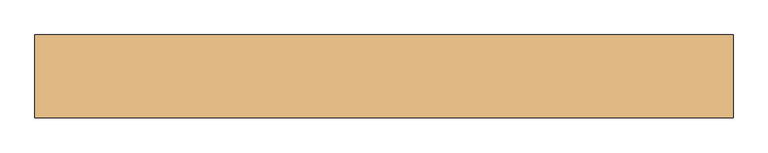
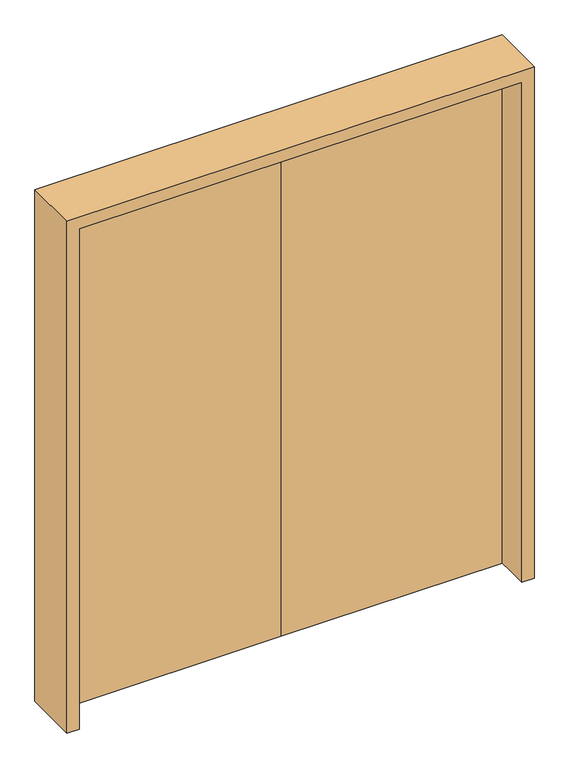
"""IFC4 building model written with IfcOpenShell, lengths in millimetres: door geometry."""

import ifcopenshell
import ifcopenshell.guid

model = None  # the IFC model being written
_history = None  # IfcOwnerHistory: only IFC2X3 demands one
_inside = {}  # id of a spatial element -> (the spatial element, [elements in it])
_under = {}  # id of a project, library or spatial element -> (it, [spatial elements below it])
_declared = {}  # id of a project -> (the project, [libraries it declares])
_typed = {}  # id of a type object -> (the type object, [elements of that type])
_made_of = {}  # id of a material, layer set ... -> (it, [elements and type objects made of it])


def new_model(schema):
    """Start an empty IFC model of exactly this schema.

    Asked for "IFC4X3", IfcOpenShell would pick the latest addendum, in which some entities
    have other attributes; the version numbers below select the first issue.
    IFC2X3 requires an IfcOwnerHistory on every rooted entity: one is made here for all.
    """
    global model, _history
    if schema == "IFC4X3":
        model = ifcopenshell.file(schema_version=(4, 3, 0, 0))
    else:
        model = ifcopenshell.file(schema=schema)
    _inside.clear()
    _under.clear()
    _declared.clear()
    _typed.clear()
    _made_of.clear()
    _history = None
    if model.schema == "IFC2X3":
        org = make("IfcOrganization", Name="unknown")
        user = make(
            "IfcPersonAndOrganization",
            ThePerson=make("IfcPerson", FamilyName="unknown"),
            TheOrganization=org,
        )
        app = make(
            "IfcApplication",
            ApplicationDeveloper=org,
            Version="unknown",
            ApplicationFullName="unknown",
            ApplicationIdentifier="unknown",
        )
        _history = make(
            "IfcOwnerHistory",
            OwningUser=user,
            OwningApplication=app,
            ChangeAction="ADDED",
            CreationDate=0,
        )
    return model


def make(cls, **values):
    """One entity of the class cls with the attributes given. An attribute that is None is left unset."""
    return model.create_entity(
        cls, **{name: value for name, value in values.items() if value is not None}
    )


def rooted(cls, **values):
    """An entity with a GlobalId (a new one), such as an element, a storey or a relation."""
    return make(cls, GlobalId=ifcopenshell.guid.new(), OwnerHistory=_history, **values)


def si_unit(unit_type, name, prefix=None):
    """IfcSIUnit, for example si_unit("LENGTHUNIT", "METRE", prefix="MILLI")."""
    return make("IfcSIUnit", UnitType=unit_type, Prefix=prefix, Name=name)


def assignment(units):
    """IfcUnitAssignment: the units of a project."""
    return None if units is None else make("IfcUnitAssignment", Units=units)


def point(xyz):
    """IfcCartesianPoint."""
    return None if xyz is None else make("IfcCartesianPoint", Coordinates=xyz)


def direction(xyz):
    """IfcDirection."""
    return None if xyz is None else make("IfcDirection", DirectionRatios=xyz)


def frame(location, z_axis=None, x_axis=None):
    """IfcAxis2Placement3D, a coordinate frame: its origin and axes. An axis left out is left unset."""
    return make(
        "IfcAxis2Placement3D",
        Location=point(location),
        Axis=direction(z_axis),
        RefDirection=direction(x_axis),
    )


def origin():
    """The frame at (0, 0, 0) with its axes left unset."""
    return frame((0.0, 0.0, 0.0))


def origin_with_axes():
    """The frame at (0, 0, 0) with the z axis (0, 0, 1) and the x axis (1, 0, 0) written out."""
    return frame((0.0, 0.0, 0.0), z_axis=(0.0, 0.0, 1.0), x_axis=(1.0, 0.0, 0.0))


def place(relative_to, where):
    """IfcLocalPlacement: puts the frame where relative to a parent placement (None: the world)."""
    return make(
        "IfcLocalPlacement", PlacementRelTo=relative_to, RelativePlacement=where
    )


def context(
    kind, dimensions, precision=None, world=None, true_north=None, identifier=None
):
    """IfcGeometricRepresentationContext, for example the 3D "Model" context."""
    return make(
        "IfcGeometricRepresentationContext",
        ContextIdentifier=identifier,
        ContextType=kind,
        CoordinateSpaceDimension=dimensions,
        Precision=precision,
        WorldCoordinateSystem=world,
        TrueNorth=true_north,
    )


def project(units=None, contexts=None):
    """IfcProject with its units and contexts."""
    return rooted(
        "IfcProject",
        Name="project",
        RepresentationContexts=contexts,
        UnitsInContext=assignment(units),
    )


def spatial(cls, under=None, at=None, **own):
    """A site, building, storey or space (cls), placed at a placement, below another one or the project."""
    s = rooted(cls, ObjectPlacement=at, **own)
    if under is not None:
        _under.setdefault(under.id(), (under, []))[1].append(s)
    return s


def polyline(points):
    """IfcPolyline through the points."""
    return make("IfcPolyline", Points=[point(p) for p in points])


def outline(outer, holes=None, kind="AREA"):
    """IfcArbitraryClosedProfileDef: a profile drawn as a closed curve; with holes, ...WithVoids."""
    if holes is None:
        return make("IfcArbitraryClosedProfileDef", ProfileType=kind, OuterCurve=outer)
    return make(
        "IfcArbitraryProfileDefWithVoids",
        ProfileType=kind,
        OuterCurve=outer,
        InnerCurves=holes,
    )


def extrude(swept, where, along, depth):
    """IfcExtrudedAreaSolid: the profile swept, set in the frame where, extruded along a direction by depth."""
    return make(
        "IfcExtrudedAreaSolid",
        SweptArea=swept,
        Position=where,
        ExtrudedDirection=direction(along),
        Depth=depth,
    )


def shape(context_of_items, identifier, shape_type, items):
    """IfcShapeRepresentation: the items that make up one representation, for example the "Body"."""
    return make(
        "IfcShapeRepresentation",
        ContextOfItems=context_of_items,
        RepresentationIdentifier=identifier,
        RepresentationType=shape_type,
        Items=items,
    )


def source(mapping_origin, context_of_items, identifier, shape_type, items):
    """IfcRepresentationMap: a shape defined once, which mapped items show again and again."""
    return make(
        "IfcRepresentationMap",
        MappingOrigin=mapping_origin,
        MappedRepresentation=shape(context_of_items, identifier, shape_type, items),
    )


def transform(
    local_origin,
    x_axis=None,
    y_axis=None,
    z_axis=None,
    scale=None,
    scale2=None,
    scale3=None,
    uniform=True,
):
    """IfcCartesianTransformationOperator3D, or its non-uniform kind. x_axis, y_axis, z_axis: its Axis1, 2, 3."""
    if uniform:
        return make(
            "IfcCartesianTransformationOperator3D",
            Axis1=direction(x_axis),
            Axis2=direction(y_axis),
            LocalOrigin=point(local_origin),
            Scale=scale,
            Axis3=direction(z_axis),
        )
    return make(
        "IfcCartesianTransformationOperator3DnonUniform",
        Axis1=direction(x_axis),
        Axis2=direction(y_axis),
        LocalOrigin=point(local_origin),
        Scale=scale,
        Axis3=direction(z_axis),
        Scale2=scale2,
        Scale3=scale3,
    )


def mapped(mapping_source, mapping_target):
    """IfcMappedItem: shows the shape of a source again, moved by a transform."""
    return make(
        "IfcMappedItem", MappingSource=mapping_source, MappingTarget=mapping_target
    )


def made_of(thing, what):
    """Note that an element or type object is made of a material, layer set ...; save() writes the relation."""
    if what is not None:
        _made_of.setdefault(what.id(), (what, []))[1].append(thing)
    return thing


def element(
    cls,
    number,
    at=None,
    inside=None,
    cuts=None,
    type_object=None,
    material=None,
    context=None,
    identifier="Body",
    shape_type=None,
    held_by="IfcProductDefinitionShape",
    body=None,
    shapes=None,
    **own,
):
    """One element of the class cls, such as IfcWall. Its Tag is "e" and its number.

    at: its placement. inside: the storey or other place that contains it. cuts: it is an
    opening in that element (IfcRelVoidsElement). A single representation is given by context,
    identifier, shape_type and body (its items); several are given by shapes. held_by: the class
    of the entity that holds the representations. save() writes the other relations.
    """
    e = rooted(cls, Tag="e%d" % number, ObjectPlacement=at, **own)
    if body is not None:
        shapes = [shape(context, identifier, shape_type, body)]
    if shapes is not None:
        e.Representation = make(held_by, Representations=shapes)
    if inside is not None:
        _inside.setdefault(inside.id(), (inside, []))[1].append(e)
    if cuts is not None:
        rooted(
            "IfcRelVoidsElement", RelatingBuildingElement=cuts, RelatedOpeningElement=e
        )
    if type_object is not None:
        _typed.setdefault(type_object.id(), (type_object, []))[1].append(e)
    return made_of(e, material)


def aggregate(whole, parts):
    """IfcRelAggregates: a whole, such as a stair, and the parts it consists of."""
    return rooted("IfcRelAggregates", RelatingObject=whole, RelatedObjects=parts)


def save(model, path):
    """Write the relations noted so far, then the file.

    IfcRelAggregates (storeys below a building ...), IfcRelContainedInSpatialStructure (elements
    in a storey), IfcRelDefinesByType, IfcRelAssociatesMaterial and IfcRelDeclares: one each for
    every whole, place, type object, material and project.
    """
    for whole, parts in _under.values():
        aggregate(whole, parts)
    for where, things in _inside.values():
        rooted(
            "IfcRelContainedInSpatialStructure",
            RelatedElements=things,
            RelatingStructure=where,
        )
    for kind, things in _typed.values():
        rooted("IfcRelDefinesByType", RelatedObjects=things, RelatingType=kind)
    for what, things in _made_of.values():
        rooted("IfcRelAssociatesMaterial", RelatedObjects=things, RelatingMaterial=what)
    for by, libraries in _declared.values():
        rooted("IfcRelDeclares", RelatingContext=by, RelatedDefinitions=libraries)
    model.write(path)


def door_6e29c84d(model_context):
    return source(origin(), model_context, "Body", "SweptSolid", [
        extrude(outline(polyline([(2235.2, -914.4), (0.0, -914.4), (0.0, -863.6), (2184.4, -863.6), (2184.4, 965.2), (0.0, 965.2), (0.0, 1016.0), (2235.2, 1016.0), (2235.2, -914.4)])), frame((0.0, -120.9075878, 0.0), z_axis=(0.0, 1.0, 0.0), x_axis=(0.0, 0.0, 1.0)), (0.0, 0.0, 1.0), 228.6),
        extrude(outline(polyline([(50.8, 18.7924122), (-863.6, 18.7924122), (-863.6, 63.2424122), (50.8, 63.2424122), (50.8, 18.7924122)])), origin_with_axes(), (0.0, 0.0, 1.0), 2184.4),
        extrude(outline(polyline([(965.2, 18.7924122), (50.8, 18.7924122), (50.8, 63.2424122), (965.2, 63.2424122), (965.2, 18.7924122)])), origin_with_axes(), (0.0, 0.0, 1.0), 2184.4),
    ])


if __name__ == "__main__":
    model = new_model("IFC4")
    model_context = context("Model", 3, world=origin())
    ifc_project = project(units=[si_unit("LENGTHUNIT", "METRE", prefix="MILLI")], contexts=[model_context])
    site = spatial("IfcSite", under=ifc_project)
    building = spatial("IfcBuilding", under=site)
    placement = place(None, origin())
    door_shape = door_6e29c84d(model_context)
    element("IfcDoor", 1, at=placement, inside=building, context=model_context, shape_type="MappedRepresentation", body=[
        mapped(door_shape, transform((0.0, 0.0, 0.0), x_axis=(1.0, 0.0, 0.0), y_axis=(0.0, 1.0, 0.0), z_axis=(0.0, 0.0, 1.0))),
    ])
    save(model, "model.ifc")
